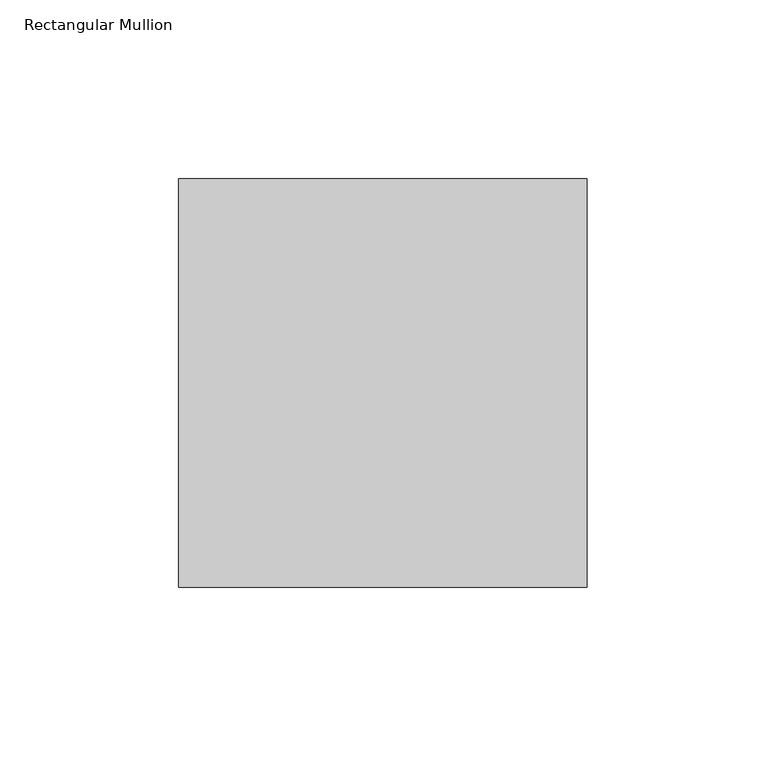
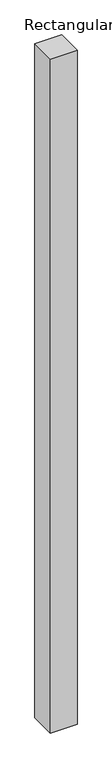
"""IFC4 building model written with IfcOpenShell, lengths in millimetres: member geometry, Rectangular Mullion."""

from ifc_helpers import new_model, si_unit, frame, origin, place, context, project, spatial, polyline, outline, extrude, source, transform, mapped, element, save


def rectangular_mullion_0ca1a674(model_context):
    return source(origin(), model_context, "Body", "SweptSolid", [
        extrude(outline(polyline([(-114.3, 114.3), (0.0, 114.3), (0.0, 0.0), (-114.3, 0.0), (-114.3, 114.3)])), frame((0.0, 0.0, -3048.0), z_axis=(0.0, 0.0, 1.0), x_axis=(1.0, 0.0, 0.0)), (0.0, 0.0, 1.0), 3048.0),
    ])


if __name__ == "__main__":
    model = new_model("IFC4")
    model_context = context("Model", 3, world=origin())
    ifc_project = project(units=[si_unit("LENGTHUNIT", "METRE", prefix="MILLI")], contexts=[model_context])
    site = spatial("IfcSite", under=ifc_project)
    building = spatial("IfcBuilding", under=site)
    placement = place(None, origin())
    rectangular_mullion_shape = rectangular_mullion_0ca1a674(model_context)
    element("IfcMember", 1, ObjectType="Rectangular Mullion", at=placement, inside=building, context=model_context, shape_type="MappedRepresentation", body=[
        mapped(rectangular_mullion_shape, transform((0.0, 0.0, 0.0), x_axis=(1.0, 0.0, 0.0), y_axis=(0.0, 1.0, 0.0), z_axis=(0.0, 0.0, 1.0))),
    ])
    save(model, "model.ifc")
